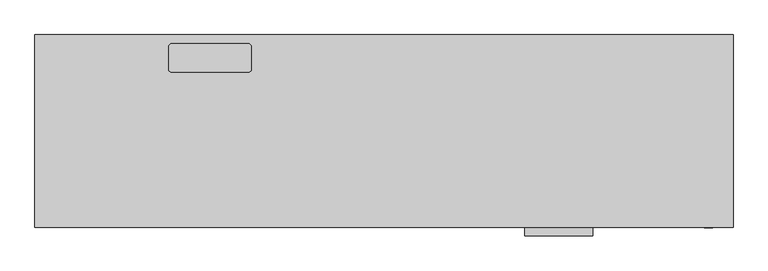
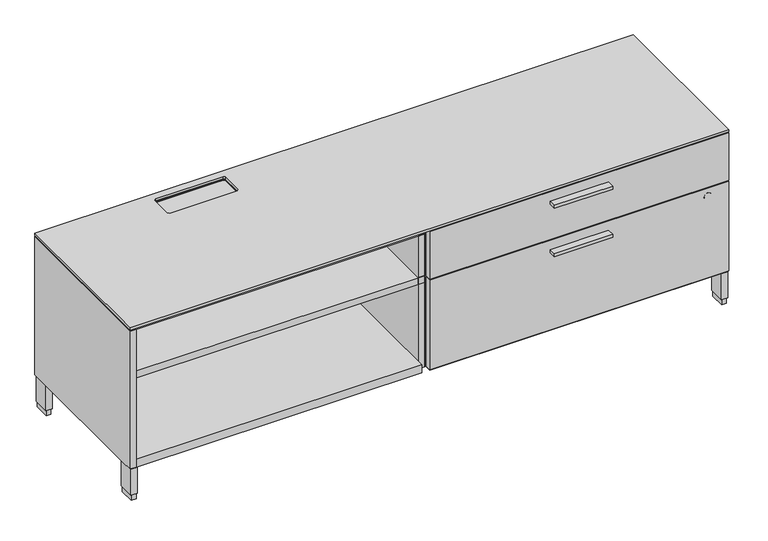
"""IFC4 building model written with IfcOpenShell, lengths in millimetres: furniture geometry."""

from ifc_helpers import new_model, si_unit, point, frame, frame_2d, origin, origin_with_axes, place, context, project, spatial, polyline, circle_curve, trimmed, segment, composite_curve, outline, extrude, faceted_brep, source, transform, mapped, element, save


def furniture_0a9f53bb(model_context):
    return source(origin(), model_context, "Body", "SolidModel", [
        extrude(outline(polyline([(1459.70625, -528.574), (1281.90625, -528.574), (1281.90625, -506.349), (1459.70625, -506.349), (1459.70625, -528.574)])), frame((0.0, 0.0, 354.838), z_axis=(0.0, 0.0, 1.0), x_axis=(1.0, 0.0, 0.0)), (0.0, 0.0, 1.0), 9.525),
        extrude(outline(polyline([(1459.70625, -528.574), (1281.90625, -528.574), (1281.90625, -506.349), (1459.70625, -506.349), (1459.70625, -528.574)])), frame((0.0, 0.0, 510.794), z_axis=(0.0, 0.0, 1.0), x_axis=(1.0, 0.0, 0.0)), (0.0, 0.0, 1.0), 9.525),
        extrude(outline(polyline([(1827.2125, -506.349), (1.5875, -506.349), (1.5875, -1.524), (1827.2125, -1.524), (1827.2125, -506.349)]), holes=[polyline([(562.0975248, -24.6634), (356.3664752, -24.6634), (351.6249, -29.4049752), (351.6249, -95.0639752), (356.3664752, -99.8055505), (562.0975248, -99.8055505), (566.8391, -95.0639752), (566.8391, -29.4049752), (562.0975248, -24.6634)])]), frame((0.0, 0.0, 553.19168), z_axis=(0.0, 0.0, 1.0), x_axis=(1.0, 0.0, 0.0)), (0.0, 0.0, 1.0), 6.62432),
        extrude(outline(polyline([(1807.9085, -20.828), (1807.9085, -503.809), (916.6098, -503.809), (916.6098, -20.828), (1807.9085, -20.828)])), frame((0.0, 0.0, 102.108), z_axis=(0.0, 0.0, 1.0), x_axis=(1.0, 0.0, 0.0)), (0.0, 0.0, 1.0), 25.4),
        extrude(outline(polyline([(892.175, -20.828), (892.175, -503.809), (20.8915, -503.809), (20.8915, -20.828), (892.175, -20.828)])), frame((0.0, 0.0, 102.108), z_axis=(0.0, 0.0, 1.0), x_axis=(1.0, 0.0, 0.0)), (0.0, 0.0, 1.0), 25.4),
        extrude(outline(polyline([(21.2979, -5.715), (21.2979, -52.197), (6.5659, -52.197), (6.5659, -5.715), (21.2979, -5.715)])), origin_with_axes(), (0.0, 0.0, 1.0), 17.399),
        extrude(outline(polyline([(21.2979, -455.676), (21.2979, -502.158), (6.5659, -502.158), (6.5659, -455.676), (21.2979, -455.676)])), origin_with_axes(), (0.0, 0.0, 1.0), 17.399),
        extrude(outline(polyline([(1822.2341, -455.676), (1822.2341, -502.158), (1807.5021, -502.158), (1807.5021, -455.676), (1822.2341, -455.676)])), origin_with_axes(), (0.0, 0.0, 1.0), 17.399),
        extrude(outline(polyline([(1822.2341, -5.715), (1822.2341, -52.197), (1807.5021, -52.197), (1807.5021, -5.715), (1822.2341, -5.715)])), origin_with_axes(), (0.0, 0.0, 1.0), 17.399),
        extrude(outline(polyline([(23.4569, -3.556), (23.4569, -54.356), (4.4069, -54.356), (4.4069, -3.556), (23.4569, -3.556)])), frame((0.0, 0.0, 17.399), z_axis=(0.0, 0.0, 1.0), x_axis=(1.0, 0.0, 0.0)), (0.0, 0.0, 1.0), 84.709),
        extrude(outline(polyline([(1824.3931, -3.556), (1824.3931, -54.356), (1805.3431, -54.356), (1805.3431, -3.556), (1824.3931, -3.556)])), frame((0.0, 0.0, 17.399), z_axis=(0.0, 0.0, 1.0), x_axis=(1.0, 0.0, 0.0)), (0.0, 0.0, 1.0), 84.709),
        extrude(outline(polyline([(1824.3931, -453.517), (1824.3931, -504.317), (1805.3431, -504.317), (1805.3431, -453.517), (1824.3931, -453.517)])), frame((0.0, 0.0, 17.399), z_axis=(0.0, 0.0, 1.0), x_axis=(1.0, 0.0, 0.0)), (0.0, 0.0, 1.0), 84.709),
        extrude(outline(polyline([(23.4569, -453.517), (23.4569, -504.317), (4.4069, -504.317), (4.4069, -453.517), (23.4569, -453.517)])), frame((0.0, 0.0, 17.399), z_axis=(0.0, 0.0, 1.0), x_axis=(1.0, 0.0, 0.0)), (0.0, 0.0, 1.0), 84.709),
        extrude(outline(polyline([(20.8915, -20.828), (912.1902, -20.828), (912.1902, -483.2858), (20.8915, -483.2858), (20.8915, -20.828)])), frame((0.0, 0.0, 374.0912), z_axis=(0.0, 0.0, 1.0), x_axis=(1.0, 0.0, 0.0)), (0.0, 0.0, 1.0), 22.225),
        extrude(outline(polyline([(912.1902, -20.828), (934.4152, -20.828), (934.4152, -483.2858), (912.1902, -483.2858), (912.1902, -20.828)])), frame((0.0, 0.0, 102.108), z_axis=(0.0, 0.0, 1.0), x_axis=(1.0, 0.0, 0.0)), (0.0, 0.0, 1.0), 428.625),
        extrude(outline(polyline([(892.175, -20.828), (916.6098, -20.828), (916.6098, -483.2858), (892.175, -483.2858), (892.175, -20.828)])), frame((0.0, 0.0, 102.108), z_axis=(0.0, 0.0, 1.0), x_axis=(1.0, 0.0, 0.0)), (0.0, 0.0, 1.0), 428.625),
        extrude(outline(polyline([(1827.2125, -487.045), (1827.2125, -506.349), (914.4, -506.349), (914.4, -487.045), (1827.2125, -487.045)])), frame((0.0, 0.0, 105.283), z_axis=(0.0, 0.0, 1.0), x_axis=(1.0, 0.0, 0.0)), (0.0, 0.0, 1.0), 288.798),
        extrude(outline(polyline([(1827.2125, -487.045), (1827.2125, -506.349), (914.4, -506.349), (914.4, -487.045), (1827.2125, -487.045)])), frame((0.0, 0.0, 397.256), z_axis=(0.0, 0.0, 1.0), x_axis=(1.0, 0.0, 0.0)), (0.0, 0.0, 1.0), 152.781),
        extrude(outline(composite_curve([segment(trimmed(circle_curve(frame_2d((368.681, 1762.54918)), 11.176), [point((368.681, 1773.72518))], [point((368.681, 1751.37318))], False, "CARTESIAN"), True, "CONTINUOUS"), segment(trimmed(circle_curve(frame_2d((368.681, 1762.54918)), 11.176), [point((368.681, 1751.37318))], [point((368.681, 1773.72518))], False, "CARTESIAN"), True, "CONTINUOUS")], self_intersect=False)), frame((0.0, -506.603, 0.0), z_axis=(0.0, 1.0, 0.0), x_axis=(0.0, 0.0, 1.0)), (0.0, 0.0, 1.0), 4.69392),
        faceted_brep([(19.304, -506.349, 550.037), (1.5875, -506.349, 550.037), (1.5875, -506.349, 105.283), (19.304, -506.349, 105.283), (1827.2125, -1.524, 550.037), (1827.2125, -1.524, 102.108), (1.5875, -1.524, 102.108), (1.5875, -1.524, 550.037), (19.304, -483.2858, 550.037), (1827.2125, -483.2858, 550.037), (356.3664752, -24.6634, 550.037), (562.0975248, -24.6634, 550.037), (566.8391, -29.4049752, 550.037), (566.8391, -95.0639752, 550.037), (562.0975248, -99.8055505, 550.037), (356.3664752, -99.8055505, 550.037), (351.6249, -95.0639752, 550.037), (351.6249, -29.4049752, 550.037), (1.5875, -483.2858, 102.108), (1.5875, -483.2858, 105.283), (1827.2125, -483.2858, 102.108), (1807.9085, -20.828, 530.733), (20.8915, -20.828, 530.733), (20.8915, -20.828, 102.108), (1807.9085, -20.828, 102.108), (1807.9085, -483.2858, 530.733), (20.8915, -483.2858, 530.733), (20.8915, -483.2858, 102.108), (1807.9085, -483.2858, 102.108), (19.304, -483.2858, 105.283), (562.0975248, -24.6634, 547.4522901), (356.3664752, -24.6634, 547.4522901), (351.6249, -29.4049752, 547.4522901), (351.6249, -95.0639752, 547.4522901), (356.3664752, -99.8055505, 547.4522901), (562.0975248, -99.8055505, 547.4522901), (566.8391, -95.0639752, 547.4522901), (566.8391, -29.4049752, 547.4522901)], [[[0, 1, 2, 3]], [[4, 5, 6, 7]], [[4, 7, 1, 0, 8, 9], [10, 11, 12, 13, 14, 15, 16, 17]], [[7, 6, 18, 19, 2, 1]], [[5, 4, 9, 20]], [[21, 22, 23, 24]], [[22, 21, 25, 26]], [[23, 22, 26, 27]], [[21, 24, 28, 25]], [[8, 0, 3, 29]], [[9, 8, 29, 19, 18, 27, 26, 25, 28, 20]], [[19, 29, 3, 2]], [[6, 5, 20, 28, 24, 23, 27, 18]], [[30, 31, 32, 33, 34, 35, 36, 37]], [[31, 30, 11, 10]], [[32, 31, 10, 17]], [[33, 32, 17, 16]], [[34, 33, 16, 15]], [[35, 34, 15, 14]], [[36, 35, 14, 13]], [[37, 36, 13, 12]], [[30, 37, 12, 11]]]),
    ])


if __name__ == "__main__":
    model = new_model("IFC4")
    model_context = context("Model", 3, world=origin())
    ifc_project = project(units=[si_unit("LENGTHUNIT", "METRE", prefix="MILLI")], contexts=[model_context])
    site = spatial("IfcSite", under=ifc_project)
    building = spatial("IfcBuilding", under=site)
    placement = place(None, origin())
    furniture_shape = furniture_0a9f53bb(model_context)
    element("IfcFurniture", 1, at=placement, inside=building, context=model_context, shape_type="MappedRepresentation", body=[
        mapped(furniture_shape, transform((0.0, 0.0, 0.0), x_axis=(1.0, 0.0, 0.0), y_axis=(0.0, 1.0, 0.0), z_axis=(0.0, 0.0, 1.0))),
    ])
    save(model, "model.ifc")
